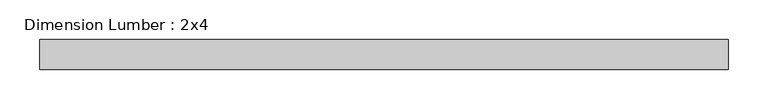
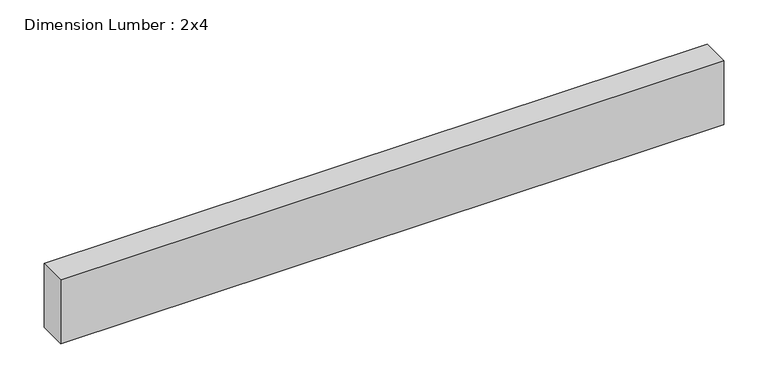
"""IFC4 building model written with IfcOpenShell, lengths in millimetres: beam geometry, Dimension Lumber : 2x4."""

from ifc_helpers import new_model, si_unit, frame, origin, place, context, project, spatial, polyline, outline, extrude, source, transform, mapped, element, save


def dimension_lumber_2x4_c5d6f389(model_context):
    return source(origin(), model_context, "Body", "SweptSolid", [
        extrude(outline(polyline([(442.4771185, 19.05), (442.4771185, -19.05), (-426.9441314, -19.05), (-426.9441314, 19.05), (442.4771185, 19.05)])), frame((0.0, 0.0, -44.45), z_axis=(0.0, 0.0, 1.0), x_axis=(1.0, 0.0, 0.0)), (0.0, 0.0, 1.0), 88.9),
    ])


if __name__ == "__main__":
    model = new_model("IFC4")
    model_context = context("Model", 3, world=origin())
    ifc_project = project(units=[si_unit("LENGTHUNIT", "METRE", prefix="MILLI")], contexts=[model_context])
    site = spatial("IfcSite", under=ifc_project)
    building = spatial("IfcBuilding", under=site)
    placement = place(None, origin())
    dimension_lumber_2x4_shape = dimension_lumber_2x4_c5d6f389(model_context)
    element("IfcBeam", 1, ObjectType="Dimension Lumber : 2x4", at=placement, inside=building, context=model_context, shape_type="MappedRepresentation", body=[
        mapped(dimension_lumber_2x4_shape, transform((0.0, 0.0, 0.0), x_axis=(1.0, 0.0, 0.0), y_axis=(0.0, 1.0, 0.0), z_axis=(0.0, 0.0, 1.0))),
    ])
    save(model, "model.ifc")
